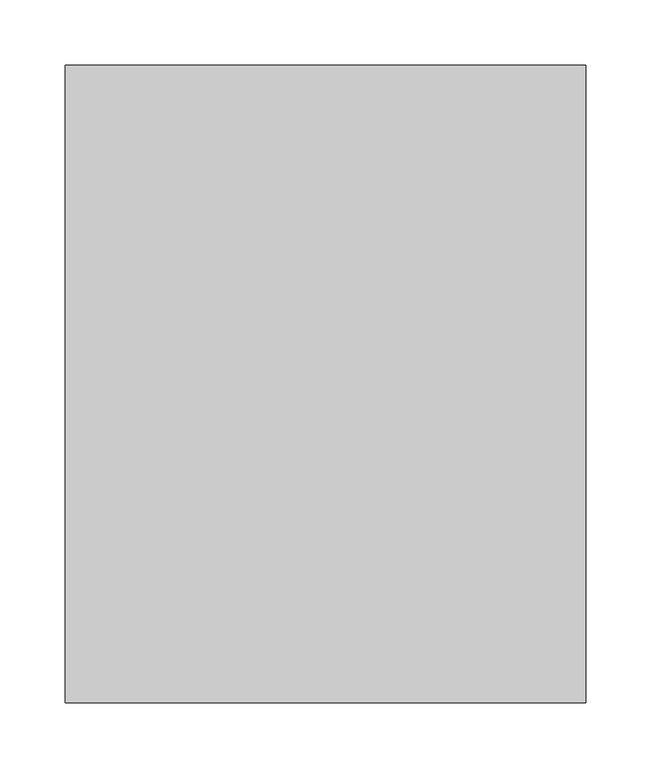
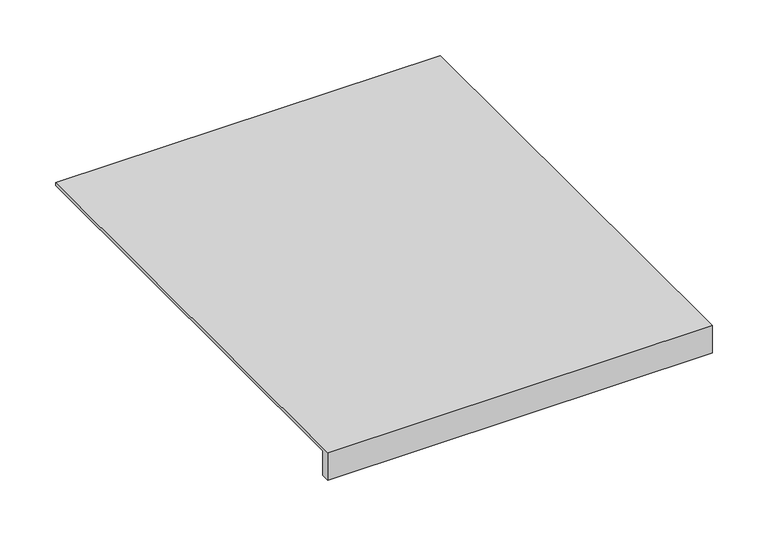
"""IFC4 building model written with IfcOpenShell, lengths in millimetres: furniture geometry."""

from ifc_helpers import new_model, si_unit, frame, origin, place, context, project, spatial, polyline, outline, extrude, source, transform, mapped, element, save


def furniture_d59e3f1e(model_context):
    return source(origin(), model_context, "Body", "SweptSolid", [
        extrude(outline(polyline([(-236.0, -28.5), (-245.0, -28.5), (-245.0, 1.5), (245.0, 1.5), (245.0, -1.5), (-236.0, -1.5), (-236.0, -28.5)])), frame((-200.0, 0.0, 0.0), z_axis=(1.0, 0.0, 0.0), x_axis=(0.0, 1.0, 0.0)), (0.0, 0.0, 1.0), 400.0),
    ])


if __name__ == "__main__":
    model = new_model("IFC4")
    model_context = context("Model", 3, world=origin())
    ifc_project = project(units=[si_unit("LENGTHUNIT", "METRE", prefix="MILLI")], contexts=[model_context])
    site = spatial("IfcSite", under=ifc_project)
    building = spatial("IfcBuilding", under=site)
    placement = place(None, origin())
    furniture_shape = furniture_d59e3f1e(model_context)
    element("IfcFurniture", 1, at=placement, inside=building, context=model_context, shape_type="MappedRepresentation", body=[
        mapped(furniture_shape, transform((0.0, 0.0, 0.0), x_axis=(1.0, 0.0, 0.0), y_axis=(0.0, 1.0, 0.0), z_axis=(0.0, 0.0, 1.0))),
    ])
    save(model, "model.ifc")
